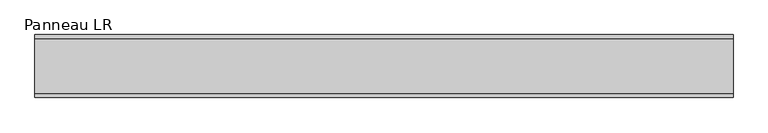
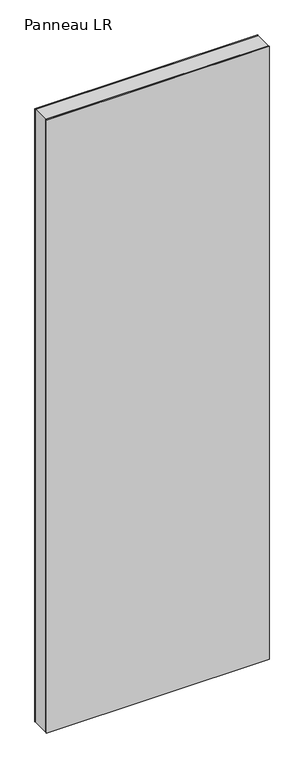
"""IFC4 building model written with IfcOpenShell, lengths in millimetres: plate geometry, Panneau LR."""

from ifc_helpers import new_model, si_unit, frame, origin, origin_with_axes, place, context, project, spatial, polyline, outline, extrude, source, transform, mapped, element, save


def panneau_lr_1b05113d(model_context):
    return source(origin(), model_context, "Body", "SweptSolid", [
        extrude(outline(polyline([(2910.0, 499.7748678), (2910.0, -499.7748678), (0.0, -499.7748678), (0.0, 499.7748678), (2910.0, 499.7748678)]), holes=[polyline([(30.0, -459.7748678), (2884.0, -459.7748678), (2884.0, 459.7748678), (30.0, 459.7748678), (30.0, -459.7748678)])]), frame((0.0, -39.0, 0.0), z_axis=(0.0, 1.0, 0.0), x_axis=(0.0, 0.0, 1.0)), (0.0, 0.0, 1.0), 78.0),
        extrude(outline(polyline([(499.7748678, 39.0), (-499.7748678, 39.0), (-499.7748678, 45.0), (499.7748678, 45.0), (499.7748678, 39.0)])), origin_with_axes(), (0.0, 0.0, 1.0), 2910.0),
        extrude(outline(polyline([(-499.7748678, -45.0), (-499.7748678, -39.0), (499.7748678, -39.0), (499.7748678, -45.0), (-499.7748678, -45.0)])), origin_with_axes(), (0.0, 0.0, 1.0), 2910.0),
    ])


if __name__ == "__main__":
    model = new_model("IFC4")
    model_context = context("Model", 3, world=origin())
    ifc_project = project(units=[si_unit("LENGTHUNIT", "METRE", prefix="MILLI")], contexts=[model_context])
    site = spatial("IfcSite", under=ifc_project)
    building = spatial("IfcBuilding", under=site)
    placement = place(None, origin())
    panneau_lr_shape = panneau_lr_1b05113d(model_context)
    element("IfcPlate", 1, ObjectType="Panneau LR", at=placement, inside=building, context=model_context, shape_type="MappedRepresentation", body=[
        mapped(panneau_lr_shape, transform((0.0, 0.0, 0.0), x_axis=(1.0, 0.0, 0.0), y_axis=(0.0, 1.0, 0.0), z_axis=(0.0, 0.0, 1.0))),
    ])
    save(model, "model.ifc")
